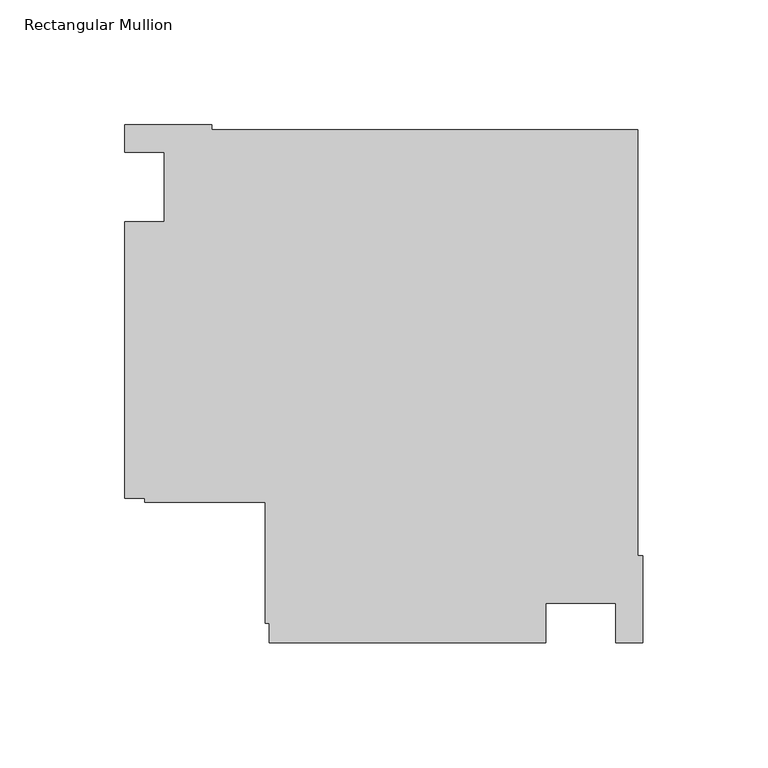
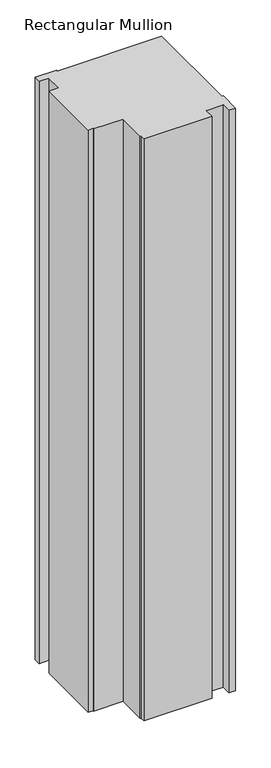
"""IFC4 building model written with IfcOpenShell, lengths in millimetres: member geometry, Rectangular Mullion."""

import ifcopenshell
import ifcopenshell.guid

model = None  # the IFC model being written
_history = None  # IfcOwnerHistory: only IFC2X3 demands one
_inside = {}  # id of a spatial element -> (the spatial element, [elements in it])
_under = {}  # id of a project, library or spatial element -> (it, [spatial elements below it])
_declared = {}  # id of a project -> (the project, [libraries it declares])
_typed = {}  # id of a type object -> (the type object, [elements of that type])
_made_of = {}  # id of a material, layer set ... -> (it, [elements and type objects made of it])


def new_model(schema):
    """Start an empty IFC model of exactly this schema.

    Asked for "IFC4X3", IfcOpenShell would pick the latest addendum, in which some entities
    have other attributes; the version numbers below select the first issue.
    IFC2X3 requires an IfcOwnerHistory on every rooted entity: one is made here for all.
    """
    global model, _history
    if schema == "IFC4X3":
        model = ifcopenshell.file(schema_version=(4, 3, 0, 0))
    else:
        model = ifcopenshell.file(schema=schema)
    _inside.clear()
    _under.clear()
    _declared.clear()
    _typed.clear()
    _made_of.clear()
    _history = None
    if model.schema == "IFC2X3":
        org = make("IfcOrganization", Name="unknown")
        user = make(
            "IfcPersonAndOrganization",
            ThePerson=make("IfcPerson", FamilyName="unknown"),
            TheOrganization=org,
        )
        app = make(
            "IfcApplication",
            ApplicationDeveloper=org,
            Version="unknown",
            ApplicationFullName="unknown",
            ApplicationIdentifier="unknown",
        )
        _history = make(
            "IfcOwnerHistory",
            OwningUser=user,
            OwningApplication=app,
            ChangeAction="ADDED",
            CreationDate=0,
        )
    return model


def make(cls, **values):
    """One entity of the class cls with the attributes given. An attribute that is None is left unset."""
    return model.create_entity(
        cls, **{name: value for name, value in values.items() if value is not None}
    )


def rooted(cls, **values):
    """An entity with a GlobalId (a new one), such as an element, a storey or a relation."""
    return make(cls, GlobalId=ifcopenshell.guid.new(), OwnerHistory=_history, **values)


def si_unit(unit_type, name, prefix=None):
    """IfcSIUnit, for example si_unit("LENGTHUNIT", "METRE", prefix="MILLI")."""
    return make("IfcSIUnit", UnitType=unit_type, Prefix=prefix, Name=name)


def assignment(units):
    """IfcUnitAssignment: the units of a project."""
    return None if units is None else make("IfcUnitAssignment", Units=units)


def point(xyz):
    """IfcCartesianPoint."""
    return None if xyz is None else make("IfcCartesianPoint", Coordinates=xyz)


def direction(xyz):
    """IfcDirection."""
    return None if xyz is None else make("IfcDirection", DirectionRatios=xyz)


def frame(location, z_axis=None, x_axis=None):
    """IfcAxis2Placement3D, a coordinate frame: its origin and axes. An axis left out is left unset."""
    return make(
        "IfcAxis2Placement3D",
        Location=point(location),
        Axis=direction(z_axis),
        RefDirection=direction(x_axis),
    )


def origin():
    """The frame at (0, 0, 0) with its axes left unset."""
    return frame((0.0, 0.0, 0.0))


def place(relative_to, where):
    """IfcLocalPlacement: puts the frame where relative to a parent placement (None: the world)."""
    return make(
        "IfcLocalPlacement", PlacementRelTo=relative_to, RelativePlacement=where
    )


def context(
    kind, dimensions, precision=None, world=None, true_north=None, identifier=None
):
    """IfcGeometricRepresentationContext, for example the 3D "Model" context."""
    return make(
        "IfcGeometricRepresentationContext",
        ContextIdentifier=identifier,
        ContextType=kind,
        CoordinateSpaceDimension=dimensions,
        Precision=precision,
        WorldCoordinateSystem=world,
        TrueNorth=true_north,
    )


def project(units=None, contexts=None):
    """IfcProject with its units and contexts."""
    return rooted(
        "IfcProject",
        Name="project",
        RepresentationContexts=contexts,
        UnitsInContext=assignment(units),
    )


def spatial(cls, under=None, at=None, **own):
    """A site, building, storey or space (cls), placed at a placement, below another one or the project."""
    s = rooted(cls, ObjectPlacement=at, **own)
    if under is not None:
        _under.setdefault(under.id(), (under, []))[1].append(s)
    return s


def polyline(points):
    """IfcPolyline through the points."""
    return make("IfcPolyline", Points=[point(p) for p in points])


def outline(outer, holes=None, kind="AREA"):
    """IfcArbitraryClosedProfileDef: a profile drawn as a closed curve; with holes, ...WithVoids."""
    if holes is None:
        return make("IfcArbitraryClosedProfileDef", ProfileType=kind, OuterCurve=outer)
    return make(
        "IfcArbitraryProfileDefWithVoids",
        ProfileType=kind,
        OuterCurve=outer,
        InnerCurves=holes,
    )


def extrude(swept, where, along, depth):
    """IfcExtrudedAreaSolid: the profile swept, set in the frame where, extruded along a direction by depth."""
    return make(
        "IfcExtrudedAreaSolid",
        SweptArea=swept,
        Position=where,
        ExtrudedDirection=direction(along),
        Depth=depth,
    )


def shape(context_of_items, identifier, shape_type, items):
    """IfcShapeRepresentation: the items that make up one representation, for example the "Body"."""
    return make(
        "IfcShapeRepresentation",
        ContextOfItems=context_of_items,
        RepresentationIdentifier=identifier,
        RepresentationType=shape_type,
        Items=items,
    )


def source(mapping_origin, context_of_items, identifier, shape_type, items):
    """IfcRepresentationMap: a shape defined once, which mapped items show again and again."""
    return make(
        "IfcRepresentationMap",
        MappingOrigin=mapping_origin,
        MappedRepresentation=shape(context_of_items, identifier, shape_type, items),
    )


def transform(
    local_origin,
    x_axis=None,
    y_axis=None,
    z_axis=None,
    scale=None,
    scale2=None,
    scale3=None,
    uniform=True,
):
    """IfcCartesianTransformationOperator3D, or its non-uniform kind. x_axis, y_axis, z_axis: its Axis1, 2, 3."""
    if uniform:
        return make(
            "IfcCartesianTransformationOperator3D",
            Axis1=direction(x_axis),
            Axis2=direction(y_axis),
            LocalOrigin=point(local_origin),
            Scale=scale,
            Axis3=direction(z_axis),
        )
    return make(
        "IfcCartesianTransformationOperator3DnonUniform",
        Axis1=direction(x_axis),
        Axis2=direction(y_axis),
        LocalOrigin=point(local_origin),
        Scale=scale,
        Axis3=direction(z_axis),
        Scale2=scale2,
        Scale3=scale3,
    )


def mapped(mapping_source, mapping_target):
    """IfcMappedItem: shows the shape of a source again, moved by a transform."""
    return make(
        "IfcMappedItem", MappingSource=mapping_source, MappingTarget=mapping_target
    )


def made_of(thing, what):
    """Note that an element or type object is made of a material, layer set ...; save() writes the relation."""
    if what is not None:
        _made_of.setdefault(what.id(), (what, []))[1].append(thing)
    return thing


def element(
    cls,
    number,
    at=None,
    inside=None,
    cuts=None,
    type_object=None,
    material=None,
    context=None,
    identifier="Body",
    shape_type=None,
    held_by="IfcProductDefinitionShape",
    body=None,
    shapes=None,
    **own,
):
    """One element of the class cls, such as IfcWall. Its Tag is "e" and its number.

    at: its placement. inside: the storey or other place that contains it. cuts: it is an
    opening in that element (IfcRelVoidsElement). A single representation is given by context,
    identifier, shape_type and body (its items); several are given by shapes. held_by: the class
    of the entity that holds the representations. save() writes the other relations.
    """
    e = rooted(cls, Tag="e%d" % number, ObjectPlacement=at, **own)
    if body is not None:
        shapes = [shape(context, identifier, shape_type, body)]
    if shapes is not None:
        e.Representation = make(held_by, Representations=shapes)
    if inside is not None:
        _inside.setdefault(inside.id(), (inside, []))[1].append(e)
    if cuts is not None:
        rooted(
            "IfcRelVoidsElement", RelatingBuildingElement=cuts, RelatedOpeningElement=e
        )
    if type_object is not None:
        _typed.setdefault(type_object.id(), (type_object, []))[1].append(e)
    return made_of(e, material)


def aggregate(whole, parts):
    """IfcRelAggregates: a whole, such as a stair, and the parts it consists of."""
    return rooted("IfcRelAggregates", RelatingObject=whole, RelatedObjects=parts)


def save(model, path):
    """Write the relations noted so far, then the file.

    IfcRelAggregates (storeys below a building ...), IfcRelContainedInSpatialStructure (elements
    in a storey), IfcRelDefinesByType, IfcRelAssociatesMaterial and IfcRelDeclares: one each for
    every whole, place, type object, material and project.
    """
    for whole, parts in _under.values():
        aggregate(whole, parts)
    for where, things in _inside.values():
        rooted(
            "IfcRelContainedInSpatialStructure",
            RelatedElements=things,
            RelatingStructure=where,
        )
    for kind, things in _typed.values():
        rooted("IfcRelDefinesByType", RelatedObjects=things, RelatingType=kind)
    for what, things in _made_of.values():
        rooted("IfcRelAssociatesMaterial", RelatedObjects=things, RelatingMaterial=what)
    for by, libraries in _declared.values():
        rooted("IfcRelDeclares", RelatingContext=by, RelatedDefinitions=libraries)
    model.write(path)


def rectangular_mullion_9f1d2e19(model_context):
    return source(origin(), model_context, "Body", "SweptSolid", [
        extrude(outline(polyline([(-38.9998882, -182.9914777), (-150.0, -182.9914777), (-150.0, -175.0000025), (-151.6, -175.0000025), (-151.6, -126.6000025), (-200.0, -126.6000025), (-200.0, -125.0000025), (-207.9999976, -125.0000025), (-207.9999976, -13.9998907), (-191.9999976, -13.9998907), (-191.9999976, 13.9997041), (-207.9999976, 13.9997041), (-207.9999976, 25.0), (-172.9999713, 25.0), (-172.9999713, 22.9147834), (-2.0852141, 22.9147834), (-2.0852141, -147.9999738), (0.0, -147.9999738), (0.0, -183.0000001), (-10.996264, -183.0000001), (-10.996264, -166.9914777), (-38.9998882, -166.9914777), (-38.9998882, -182.9914777)])), frame((0.0, 0.0, -1006.6595328), z_axis=(0.0, 0.0, 1.0), x_axis=(1.0, 0.0, 0.0)), (0.0, 0.0, 1.0), 1006.6595328),
    ])


if __name__ == "__main__":
    model = new_model("IFC4")
    model_context = context("Model", 3, world=origin())
    ifc_project = project(units=[si_unit("LENGTHUNIT", "METRE", prefix="MILLI")], contexts=[model_context])
    site = spatial("IfcSite", under=ifc_project)
    building = spatial("IfcBuilding", under=site)
    placement = place(None, origin())
    rectangular_mullion_shape = rectangular_mullion_9f1d2e19(model_context)
    element("IfcMember", 1, ObjectType="Rectangular Mullion", at=placement, inside=building, context=model_context, shape_type="MappedRepresentation", body=[
        mapped(rectangular_mullion_shape, transform((0.0, 0.0, 0.0), x_axis=(1.0, 0.0, 0.0), y_axis=(0.0, 1.0, 0.0), z_axis=(0.0, 0.0, 1.0))),
    ])
    save(model, "model.ifc")
